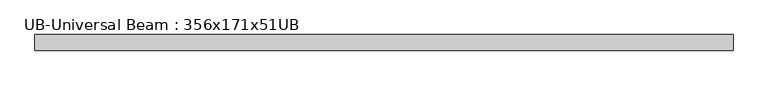
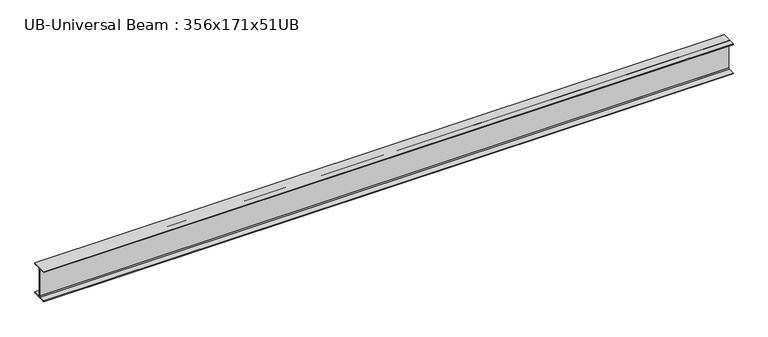
"""IFC4 building model written with IfcOpenShell, lengths in millimetres: beam geometry, UB-Universal Beam : 356x171x51UB."""

from ifc_helpers import new_model, si_unit, point, frame, frame_2d, origin, place, context, project, spatial, polyline, circle_curve, trimmed, segment, composite_curve, outline, extrude, source, transform, mapped, element, save


def ub_universal_beam_356x171x51ub_4838c6d3(model_context):
    return source(origin(), model_context, "Body", "SweptSolid", [
        extrude(outline(composite_curve([segment(polyline([(85.75, -166.0), (85.75, -177.5), (-85.75, -177.5), (-85.75, -166.0), (-13.9, -166.0)]), True, "CONTINUOUS"), segment(trimmed(circle_curve(frame_2d((-13.9, -155.8)), 10.2), [point((-13.9, -166.0))], [point((-3.7, -155.8))], True, "CARTESIAN"), True, "CONTINUOUS"), segment(polyline([(-3.7, -155.8), (-3.7, 155.8)]), True, "CONTINUOUS"), segment(trimmed(circle_curve(frame_2d((-13.9, 155.8)), 10.2), [point((-3.7, 155.8))], [point((-13.9, 166.0))], True, "CARTESIAN"), True, "CONTINUOUS"), segment(polyline([(-13.9, 166.0), (-85.75, 166.0), (-85.75, 177.5), (85.75, 177.5), (85.75, 166.0), (13.9, 166.0)]), True, "CONTINUOUS"), segment(trimmed(circle_curve(frame_2d((13.9, 155.8)), 10.2), [point((13.9, 166.0))], [point((3.7, 155.8))], True, "CARTESIAN"), True, "CONTINUOUS"), segment(polyline([(3.7, 155.8), (3.7, -155.8)]), True, "CONTINUOUS"), segment(trimmed(circle_curve(frame_2d((13.9, -155.8)), 10.2), [point((3.7, -155.8))], [point((13.9, -166.0))], True, "CARTESIAN"), True, "CONTINUOUS"), segment(polyline([(13.9, -166.0), (85.75, -166.0)]), True, "CONTINUOUS")], self_intersect=False)), frame((-3750.117434, 0.0, 0.0), z_axis=(1.0, 0.0, 0.0), x_axis=(0.0, 1.0, 0.0)), (0.0, 0.0, 1.0), 7657.934868),
    ])


if __name__ == "__main__":
    model = new_model("IFC4")
    model_context = context("Model", 3, world=origin())
    ifc_project = project(units=[si_unit("LENGTHUNIT", "METRE", prefix="MILLI")], contexts=[model_context])
    site = spatial("IfcSite", under=ifc_project)
    building = spatial("IfcBuilding", under=site)
    placement = place(None, origin())
    ub_universal_beam_356x171x51ub_shape = ub_universal_beam_356x171x51ub_4838c6d3(model_context)
    element("IfcBeam", 1, ObjectType="UB-Universal Beam : 356x171x51UB", at=placement, inside=building, context=model_context, shape_type="MappedRepresentation", body=[
        mapped(ub_universal_beam_356x171x51ub_shape, transform((0.0, 0.0, 0.0), x_axis=(1.0, 0.0, 0.0), y_axis=(0.0, 1.0, 0.0), z_axis=(0.0, 0.0, 1.0))),
    ])
    save(model, "model.ifc")
